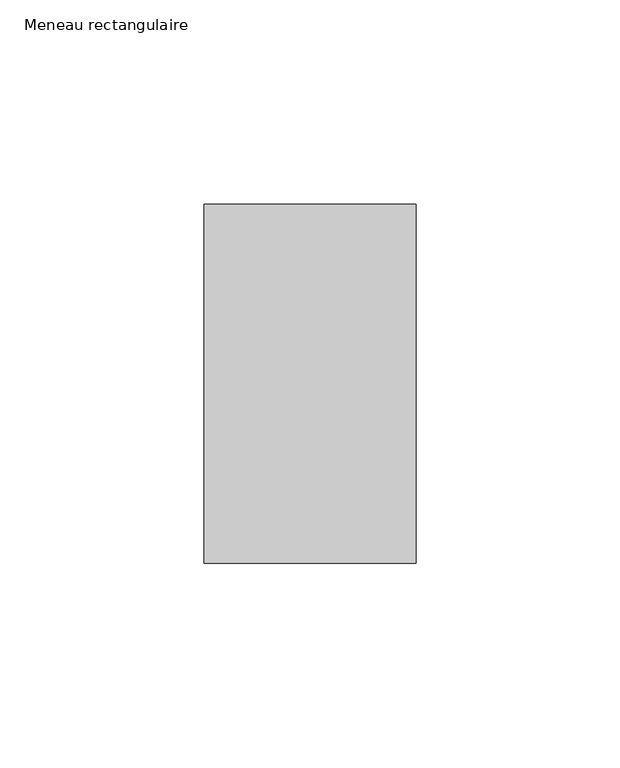
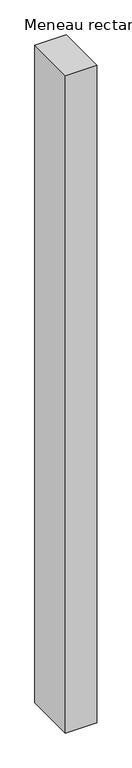
"""IFC4 building model written with IfcOpenShell, lengths in millimetres: member geometry, Meneau rectangulaire."""

from ifc_helpers import new_model, si_unit, frame, origin, place, context, project, spatial, polyline, outline, extrude, source, transform, mapped, element, save


def meneau_rectangulaire_d92d1d5f(model_context):
    return source(origin(), model_context, "Body", "SweptSolid", [
        extrude(outline(polyline([(-52.0, 44.0), (0.0, 44.0), (0.0, -44.0), (-52.0, -44.0), (-52.0, 44.0)])), frame((0.0, 0.0, -1158.4285713), z_axis=(0.0, 0.0, 1.0), x_axis=(1.0, 0.0, 0.0)), (0.0, 0.0, 1.0), 1158.4285713),
    ])


if __name__ == "__main__":
    model = new_model("IFC4")
    model_context = context("Model", 3, world=origin())
    ifc_project = project(units=[si_unit("LENGTHUNIT", "METRE", prefix="MILLI")], contexts=[model_context])
    site = spatial("IfcSite", under=ifc_project)
    building = spatial("IfcBuilding", under=site)
    placement = place(None, origin())
    meneau_rectangulaire_shape = meneau_rectangulaire_d92d1d5f(model_context)
    element("IfcMember", 1, ObjectType="Meneau rectangulaire", at=placement, inside=building, context=model_context, shape_type="MappedRepresentation", body=[
        mapped(meneau_rectangulaire_shape, transform((0.0, 0.0, 0.0), x_axis=(1.0, 0.0, 0.0), y_axis=(0.0, 1.0, 0.0), z_axis=(0.0, 0.0, 1.0))),
    ])
    save(model, "model.ifc")
